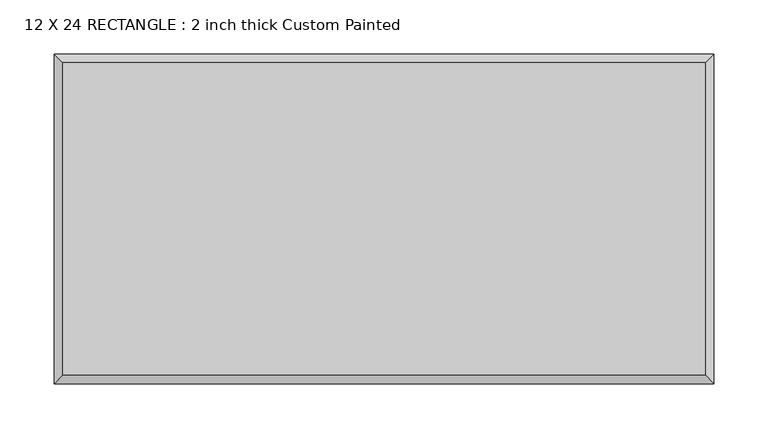
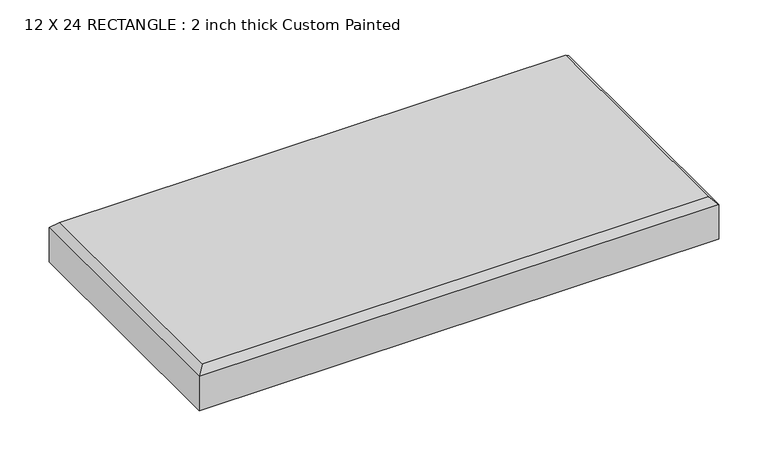
"""IFC4 building model written with IfcOpenShell, lengths in millimetres: proxy geometry, 12 X 24 RECTANGLE : 2 inch thick Custom Painted."""

from ifc_helpers import new_model, si_unit, origin, place, context, project, spatial, faceted_brep, source, transform, mapped, element, save


def proxy_12_x_24_rectangle_2_inch_thick_custom_painted_c20d99f8(model_context):
    return source(origin(), model_context, "Body", "Brep", [
        faceted_brep([(296.799, 144.399, 50.8), (-296.799, 144.399, 50.8), (-296.799, -144.399, 50.8), (296.799, -144.399, 50.8), (-304.8, 152.4, 0.0), (304.8, 152.4, 0.0), (304.8, -152.4, 0.0), (-304.8, -152.4, 0.0), (-304.8, -152.4, 42.799), (-304.8, 152.4, 42.799), (304.8, -152.4, 42.799), (304.8, 152.4, 42.799)], [[[0, 1, 2, 3]], [[4, 5, 6, 7]], [[4, 7, 8, 9]], [[7, 6, 10, 8]], [[6, 5, 11, 10]], [[5, 4, 9, 11]], [[9, 1, 0, 11]], [[1, 9, 8, 2]], [[2, 8, 10, 3]], [[11, 0, 3, 10]]]),
    ])


if __name__ == "__main__":
    model = new_model("IFC4")
    model_context = context("Model", 3, world=origin())
    ifc_project = project(units=[si_unit("LENGTHUNIT", "METRE", prefix="MILLI")], contexts=[model_context])
    site = spatial("IfcSite", under=ifc_project)
    building = spatial("IfcBuilding", under=site)
    placement = place(None, origin())
    proxy_12_x_24_rectangle_2_inch_thick_custom_painted_shape = proxy_12_x_24_rectangle_2_inch_thick_custom_painted_c20d99f8(model_context)
    element("IfcBuildingElementProxy", 1, Name="12 X 24 RECTANGLE : 2 inch thick Custom Painted", ObjectType="12 X 24 RECTANGLE : 2 inch thick Custom Painted", at=placement, inside=building, context=model_context, shape_type="MappedRepresentation", body=[
        mapped(proxy_12_x_24_rectangle_2_inch_thick_custom_painted_shape, transform((0.0, 0.0, 0.0), x_axis=(1.0, 0.0, 0.0), y_axis=(0.0, 1.0, 0.0), z_axis=(0.0, 0.0, 1.0))),
    ])
    save(model, "model.ifc")
